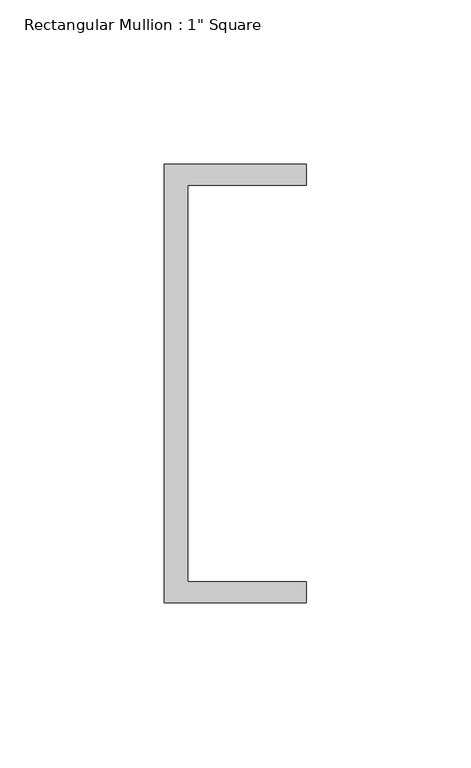
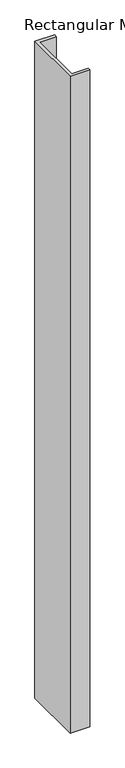
"""IFC4 building model written with IfcOpenShell, lengths in millimetres: member geometry."""

import ifcopenshell
import ifcopenshell.guid

model = None  # the IFC model being written
_history = None  # IfcOwnerHistory: only IFC2X3 demands one
_inside = {}  # id of a spatial element -> (the spatial element, [elements in it])
_under = {}  # id of a project, library or spatial element -> (it, [spatial elements below it])
_declared = {}  # id of a project -> (the project, [libraries it declares])
_typed = {}  # id of a type object -> (the type object, [elements of that type])
_made_of = {}  # id of a material, layer set ... -> (it, [elements and type objects made of it])


def new_model(schema):
    """Start an empty IFC model of exactly this schema.

    Asked for "IFC4X3", IfcOpenShell would pick the latest addendum, in which some entities
    have other attributes; the version numbers below select the first issue.
    IFC2X3 requires an IfcOwnerHistory on every rooted entity: one is made here for all.
    """
    global model, _history
    if schema == "IFC4X3":
        model = ifcopenshell.file(schema_version=(4, 3, 0, 0))
    else:
        model = ifcopenshell.file(schema=schema)
    _inside.clear()
    _under.clear()
    _declared.clear()
    _typed.clear()
    _made_of.clear()
    _history = None
    if model.schema == "IFC2X3":
        org = make("IfcOrganization", Name="unknown")
        user = make(
            "IfcPersonAndOrganization",
            ThePerson=make("IfcPerson", FamilyName="unknown"),
            TheOrganization=org,
        )
        app = make(
            "IfcApplication",
            ApplicationDeveloper=org,
            Version="unknown",
            ApplicationFullName="unknown",
            ApplicationIdentifier="unknown",
        )
        _history = make(
            "IfcOwnerHistory",
            OwningUser=user,
            OwningApplication=app,
            ChangeAction="ADDED",
            CreationDate=0,
        )
    return model


def make(cls, **values):
    """One entity of the class cls with the attributes given. An attribute that is None is left unset."""
    return model.create_entity(
        cls, **{name: value for name, value in values.items() if value is not None}
    )


def rooted(cls, **values):
    """An entity with a GlobalId (a new one), such as an element, a storey or a relation."""
    return make(cls, GlobalId=ifcopenshell.guid.new(), OwnerHistory=_history, **values)


def si_unit(unit_type, name, prefix=None):
    """IfcSIUnit, for example si_unit("LENGTHUNIT", "METRE", prefix="MILLI")."""
    return make("IfcSIUnit", UnitType=unit_type, Prefix=prefix, Name=name)


def assignment(units):
    """IfcUnitAssignment: the units of a project."""
    return None if units is None else make("IfcUnitAssignment", Units=units)


def point(xyz):
    """IfcCartesianPoint."""
    return None if xyz is None else make("IfcCartesianPoint", Coordinates=xyz)


def direction(xyz):
    """IfcDirection."""
    return None if xyz is None else make("IfcDirection", DirectionRatios=xyz)


def frame(location, z_axis=None, x_axis=None):
    """IfcAxis2Placement3D, a coordinate frame: its origin and axes. An axis left out is left unset."""
    return make(
        "IfcAxis2Placement3D",
        Location=point(location),
        Axis=direction(z_axis),
        RefDirection=direction(x_axis),
    )


def origin():
    """The frame at (0, 0, 0) with its axes left unset."""
    return frame((0.0, 0.0, 0.0))


def place(relative_to, where):
    """IfcLocalPlacement: puts the frame where relative to a parent placement (None: the world)."""
    return make(
        "IfcLocalPlacement", PlacementRelTo=relative_to, RelativePlacement=where
    )


def context(
    kind, dimensions, precision=None, world=None, true_north=None, identifier=None
):
    """IfcGeometricRepresentationContext, for example the 3D "Model" context."""
    return make(
        "IfcGeometricRepresentationContext",
        ContextIdentifier=identifier,
        ContextType=kind,
        CoordinateSpaceDimension=dimensions,
        Precision=precision,
        WorldCoordinateSystem=world,
        TrueNorth=true_north,
    )


def project(units=None, contexts=None):
    """IfcProject with its units and contexts."""
    return rooted(
        "IfcProject",
        Name="project",
        RepresentationContexts=contexts,
        UnitsInContext=assignment(units),
    )


def spatial(cls, under=None, at=None, **own):
    """A site, building, storey or space (cls), placed at a placement, below another one or the project."""
    s = rooted(cls, ObjectPlacement=at, **own)
    if under is not None:
        _under.setdefault(under.id(), (under, []))[1].append(s)
    return s


def polyline(points):
    """IfcPolyline through the points."""
    return make("IfcPolyline", Points=[point(p) for p in points])


def outline(outer, holes=None, kind="AREA"):
    """IfcArbitraryClosedProfileDef: a profile drawn as a closed curve; with holes, ...WithVoids."""
    if holes is None:
        return make("IfcArbitraryClosedProfileDef", ProfileType=kind, OuterCurve=outer)
    return make(
        "IfcArbitraryProfileDefWithVoids",
        ProfileType=kind,
        OuterCurve=outer,
        InnerCurves=holes,
    )


def extrude(swept, where, along, depth):
    """IfcExtrudedAreaSolid: the profile swept, set in the frame where, extruded along a direction by depth."""
    return make(
        "IfcExtrudedAreaSolid",
        SweptArea=swept,
        Position=where,
        ExtrudedDirection=direction(along),
        Depth=depth,
    )


def shape(context_of_items, identifier, shape_type, items):
    """IfcShapeRepresentation: the items that make up one representation, for example the "Body"."""
    return make(
        "IfcShapeRepresentation",
        ContextOfItems=context_of_items,
        RepresentationIdentifier=identifier,
        RepresentationType=shape_type,
        Items=items,
    )


def source(mapping_origin, context_of_items, identifier, shape_type, items):
    """IfcRepresentationMap: a shape defined once, which mapped items show again and again."""
    return make(
        "IfcRepresentationMap",
        MappingOrigin=mapping_origin,
        MappedRepresentation=shape(context_of_items, identifier, shape_type, items),
    )


def transform(
    local_origin,
    x_axis=None,
    y_axis=None,
    z_axis=None,
    scale=None,
    scale2=None,
    scale3=None,
    uniform=True,
):
    """IfcCartesianTransformationOperator3D, or its non-uniform kind. x_axis, y_axis, z_axis: its Axis1, 2, 3."""
    if uniform:
        return make(
            "IfcCartesianTransformationOperator3D",
            Axis1=direction(x_axis),
            Axis2=direction(y_axis),
            LocalOrigin=point(local_origin),
            Scale=scale,
            Axis3=direction(z_axis),
        )
    return make(
        "IfcCartesianTransformationOperator3DnonUniform",
        Axis1=direction(x_axis),
        Axis2=direction(y_axis),
        LocalOrigin=point(local_origin),
        Scale=scale,
        Axis3=direction(z_axis),
        Scale2=scale2,
        Scale3=scale3,
    )


def mapped(mapping_source, mapping_target):
    """IfcMappedItem: shows the shape of a source again, moved by a transform."""
    return make(
        "IfcMappedItem", MappingSource=mapping_source, MappingTarget=mapping_target
    )


def made_of(thing, what):
    """Note that an element or type object is made of a material, layer set ...; save() writes the relation."""
    if what is not None:
        _made_of.setdefault(what.id(), (what, []))[1].append(thing)
    return thing


def element(
    cls,
    number,
    at=None,
    inside=None,
    cuts=None,
    type_object=None,
    material=None,
    context=None,
    identifier="Body",
    shape_type=None,
    held_by="IfcProductDefinitionShape",
    body=None,
    shapes=None,
    **own,
):
    """One element of the class cls, such as IfcWall. Its Tag is "e" and its number.

    at: its placement. inside: the storey or other place that contains it. cuts: it is an
    opening in that element (IfcRelVoidsElement). A single representation is given by context,
    identifier, shape_type and body (its items); several are given by shapes. held_by: the class
    of the entity that holds the representations. save() writes the other relations.
    """
    e = rooted(cls, Tag="e%d" % number, ObjectPlacement=at, **own)
    if body is not None:
        shapes = [shape(context, identifier, shape_type, body)]
    if shapes is not None:
        e.Representation = make(held_by, Representations=shapes)
    if inside is not None:
        _inside.setdefault(inside.id(), (inside, []))[1].append(e)
    if cuts is not None:
        rooted(
            "IfcRelVoidsElement", RelatingBuildingElement=cuts, RelatedOpeningElement=e
        )
    if type_object is not None:
        _typed.setdefault(type_object.id(), (type_object, []))[1].append(e)
    return made_of(e, material)


def aggregate(whole, parts):
    """IfcRelAggregates: a whole, such as a stair, and the parts it consists of."""
    return rooted("IfcRelAggregates", RelatingObject=whole, RelatedObjects=parts)


def save(model, path):
    """Write the relations noted so far, then the file.

    IfcRelAggregates (storeys below a building ...), IfcRelContainedInSpatialStructure (elements
    in a storey), IfcRelDefinesByType, IfcRelAssociatesMaterial and IfcRelDeclares: one each for
    every whole, place, type object, material and project.
    """
    for whole, parts in _under.values():
        aggregate(whole, parts)
    for where, things in _inside.values():
        rooted(
            "IfcRelContainedInSpatialStructure",
            RelatedElements=things,
            RelatingStructure=where,
        )
    for kind, things in _typed.values():
        rooted("IfcRelDefinesByType", RelatedObjects=things, RelatingType=kind)
    for what, things in _made_of.values():
        rooted("IfcRelAssociatesMaterial", RelatedObjects=things, RelatingMaterial=what)
    for by, libraries in _declared.values():
        rooted("IfcRelDeclares", RelatingContext=by, RelatedDefinitions=libraries)
    model.write(path)


def member_ee55b30a(model_context):
    return source(origin(), model_context, "Body", "SweptSolid", [
        extrude(outline(polyline([(-18.6549463, 135.2608739), (24.5675083, 135.2608739), (24.5675083, 128.9108739), (-11.6110886, 128.9108739), (-11.6110886, 8.2608739), (24.5675083, 8.2608739), (24.5675083, 1.9108739), (-18.6549463, 1.9108739), (-18.6549463, 135.2608739)])), frame((0.0, 0.0, -1519.8266134), z_axis=(0.0, 0.0, 1.0), x_axis=(1.0, 0.0, 0.0)), (0.0, 0.0, 1.0), 1519.8266134),
    ])


if __name__ == "__main__":
    model = new_model("IFC4")
    model_context = context("Model", 3, world=origin())
    ifc_project = project(units=[si_unit("LENGTHUNIT", "METRE", prefix="MILLI")], contexts=[model_context])
    site = spatial("IfcSite", under=ifc_project)
    building = spatial("IfcBuilding", under=site)
    placement = place(None, origin())
    member_shape = member_ee55b30a(model_context)
    element("IfcMember", 1, ObjectType="Rectangular Mullion : 1\" Square", at=placement, inside=building, context=model_context, shape_type="MappedRepresentation", body=[
        mapped(member_shape, transform((0.0, 0.0, 0.0), x_axis=(1.0, 0.0, 0.0), y_axis=(0.0, 1.0, 0.0), z_axis=(0.0, 0.0, 1.0))),
    ])
    save(model, "model.ifc")
